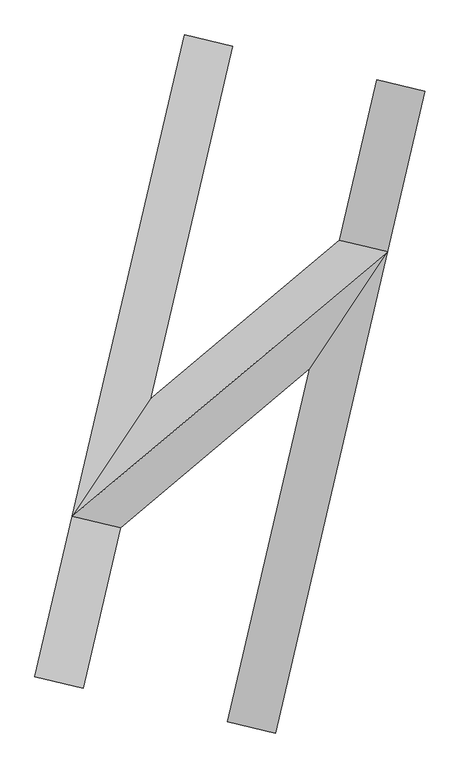
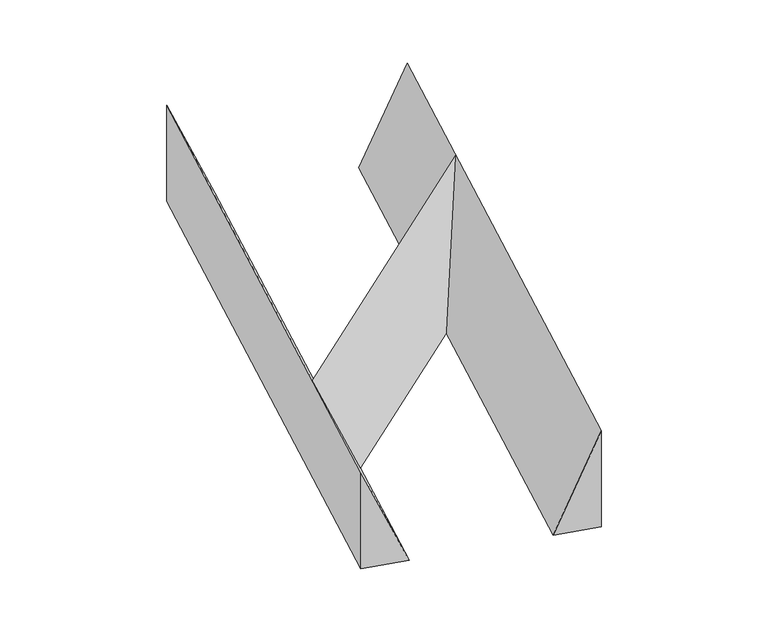
"""IFC4 building model written with IfcOpenShell, lengths in millimetres: proxy geometry."""

from ifc_helpers import new_model, si_unit, frame, origin, place, context, project, spatial, polyline, outline, extrude, faceted_brep, source, transform, mapped, element, save


def generic_models_e5d8185a(model_context):
    return source(origin(), model_context, "Body", "SolidModel", [
        faceted_brep([(-483.6744675, -92.5149149, 0.0), (-957.6105229, -803.418998, 700.0), (957.6105229, 803.418998, 700.0), (665.45816, 871.5878827, 0.0), (-665.45816, -871.5878827, 0.0), (483.6744675, 92.5149149, 0.0)], [[[0, 1, 2, 3]], [[1, 4, 5, 2]], [[4, 0, 3, 5]], [[3, 2, 5]], [[0, 4, 1]]]),
        extrude(outline(polyline([(-233.3333333, 100.0), (466.6666667, 100.0), (-233.3333333, -199.9999999), (-233.3333333, 100.0)])), frame((178.5375551, -2095.3816696, 233.3333333), z_axis=(0.22722961560642227, 0.9738412097417923, 0.0), x_axis=(0.0, 0.0, 1.0)), (0.0, 0.0, 1.0), 4000.0),
        extrude(outline(polyline([(-466.6666667, 100.0), (233.3333333, 100.0), (233.3333333, -200.0), (-466.6666667, 100.0)])), frame((-1087.4560175, -1799.9831693, 233.3333333), z_axis=(0.22722961560642227, 0.9738412097417923, 0.0), x_axis=(0.0, 0.0, -1.0)), (0.0, 0.0, 1.0), 4000.0),
    ])


if __name__ == "__main__":
    model = new_model("IFC4")
    model_context = context("Model", 3, world=origin())
    ifc_project = project(units=[si_unit("LENGTHUNIT", "METRE", prefix="MILLI")], contexts=[model_context])
    site = spatial("IfcSite", under=ifc_project)
    building = spatial("IfcBuilding", under=site)
    placement = place(None, origin())
    generic_models_shape = generic_models_e5d8185a(model_context)
    element("IfcBuildingElementProxy", 1, Name="Generic Models", at=placement, inside=building, context=model_context, shape_type="MappedRepresentation", body=[
        mapped(generic_models_shape, transform((0.0, 0.0, 0.0), x_axis=(1.0, 0.0, 0.0), y_axis=(0.0, 1.0, 0.0), z_axis=(0.0, 0.0, 1.0))),
    ])
    save(model, "model.ifc")
